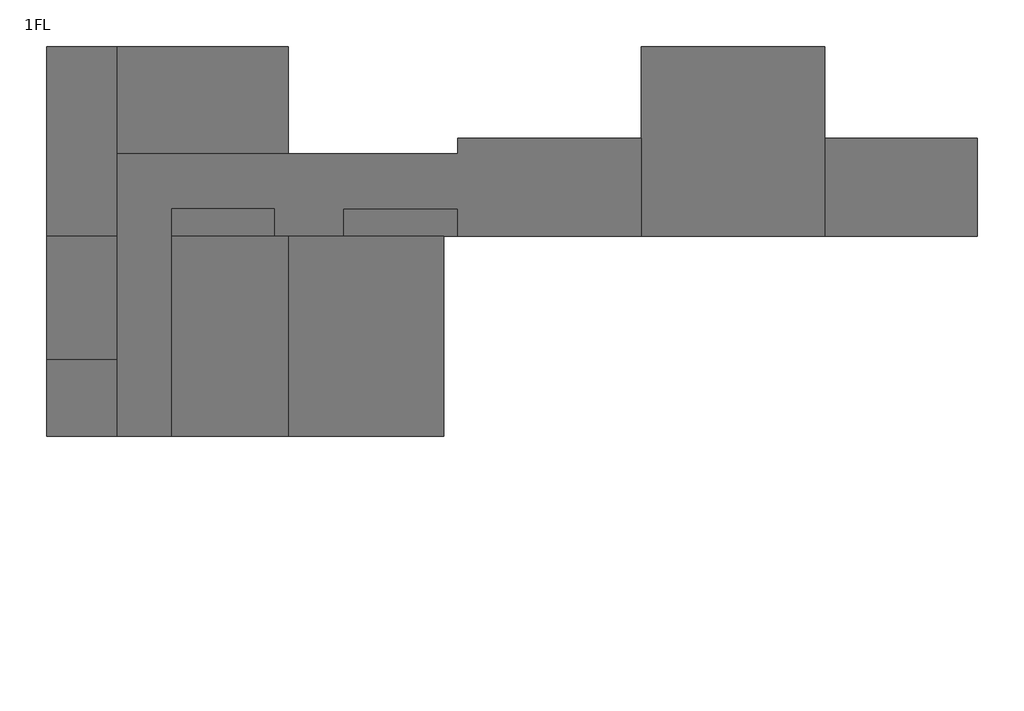
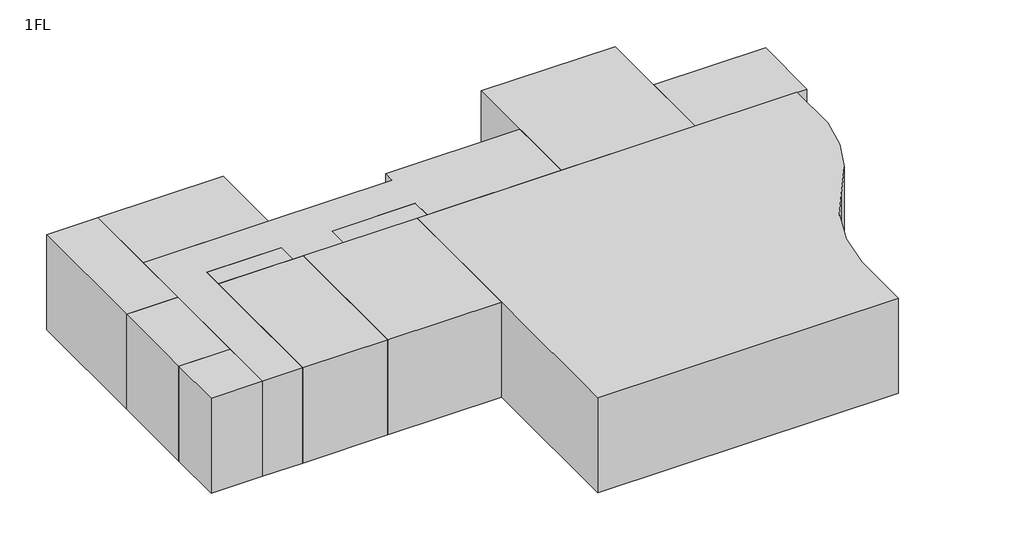
# One storey: 12 proxies.
"""IFC4 building model written with IfcOpenShell, lengths in millimetres."""

from ifc_helpers import new_model, si_unit, point, frame, frame_2d, origin, place, context, project, spatial, polyline, circle_curve, trimmed, segment, composite_curve, outline, extrude, element, save

model = new_model("IFC4")

# Units and contexts
model_context = context("Model", 3, world=origin())
ifc_project = project(units=[si_unit("LENGTHUNIT", "METRE", prefix="MILLI")], contexts=[model_context])

# Site, building, storey
site = spatial("IfcSite", under=ifc_project)
building = spatial("IfcBuilding", under=site)
storey = spatial("IfcBuildingStorey", under=building, Name="1FL", Elevation=100.0)

# Proxies
placement = place(None, origin())
element("IfcBuildingElementProxy", 1, Name="Mass", at=placement, inside=storey, context=model_context, shape_type="SweptSolid", body=[
    extrude(outline(composite_curve([segment(trimmed(circle_curve(frame_2d((-6791.8966309, 8990.8329601)), 8000.0), [point((1154.0215975, 8062.1868987))], [point((-620.9784025, 3899.6868987))], False, "CARTESIAN"), True, "CONTINUOUS"), segment(trimmed(circle_curve(frame_2d((5592.648201, -1139.2459677)), 8000.0), [point((-620.9784025, 3899.6868987))], [point((-2395.9784025, -712.8131013))], True, "CARTESIAN"), True, "CONTINUOUS"), segment(polyline([(-2395.9784025, -712.8131013), (-2395.9784025, -3550.3131013), (-15845.9784025, -3550.3131013), (-15845.9784025, 10449.6868987), (1154.0215975, 10449.6868987), (1154.0215975, 8062.1868987)]), True, "CONTINUOUS")], self_intersect=False)), frame((0.0, 0.0, 100.0), z_axis=(0.0, 0.0, 1.0), x_axis=(1.0, 0.0, 0.0)), (0.0, 0.0, 1.0), 4500.0),
])
element("IfcBuildingElementProxy", 2, Name="Mass", at=placement, inside=storey, context=model_context, shape_type="SweptSolid", body=[
    extrude(outline(polyline([(-3395.9784025, 16649.6868987), (-3395.9784025, 10449.6868987), (-9395.9784025, 10449.6868987), (-9395.9784025, 16649.6868987), (-3395.9784025, 16649.6868987)])), frame((0.0, 0.0, 100.0), z_axis=(0.0, 0.0, 1.0), x_axis=(1.0, 0.0, 0.0)), (0.0, 0.0, 1.0), 4500.0),
])
element("IfcBuildingElementProxy", 3, Name="Mass", at=placement, inside=storey, context=model_context, shape_type="SweptSolid", body=[
    extrude(outline(polyline([(1604.0215975, 13649.6868987), (1604.0215975, 10449.6868987), (-3395.9784025, 10449.6868987), (-3395.9784025, 13649.6868987), (1604.0215975, 13649.6868987)])), frame((0.0, 0.0, 100.0), z_axis=(0.0, 0.0, 1.0), x_axis=(1.0, 0.0, 0.0)), (0.0, 0.0, 1.0), 4500.0),
])
element("IfcBuildingElementProxy", 4, Name="Mass", at=placement, inside=storey, context=model_context, shape_type="SweptSolid", body=[
    extrude(outline(polyline([(-15845.9784025, 10449.6868987), (-15845.9784025, 3899.6868987), (-20945.9784025, 3899.6868987), (-20945.9784025, 10449.6868987), (-15845.9784025, 10449.6868987)])), frame((0.0, 0.0, 100.0), z_axis=(0.0, 0.0, 1.0), x_axis=(1.0, 0.0, 0.0)), (0.0, 0.0, 1.0), 4500.0),
])
element("IfcBuildingElementProxy", 5, Name="Mass", at=placement, inside=storey, context=model_context, shape_type="SweptSolid", body=[
    extrude(outline(polyline([(-20945.9784025, 10449.6868987), (-20945.9784025, 3899.6868987), (-24745.9784025, 3899.6868987), (-24745.9784025, 10449.6868987), (-20945.9784025, 10449.6868987)])), frame((0.0, 0.0, 100.0), z_axis=(0.0, 0.0, 1.0), x_axis=(1.0, 0.0, 0.0)), (0.0, 0.0, 1.0), 4500.0),
])
element("IfcBuildingElementProxy", 6, Name="Mass", at=placement, inside=storey, context=model_context, shape_type="SweptSolid", body=[
    extrude(outline(polyline([(-26545.9784025, 6399.6868987), (-26545.9784025, 3899.6868987), (-28845.9784025, 3899.6868987), (-28845.9784025, 6399.6868987), (-26545.9784025, 6399.6868987)])), frame((0.0, 0.0, 100.0), z_axis=(0.0, 0.0, 1.0), x_axis=(1.0, 0.0, 0.0)), (0.0, 0.0, 1.0), 4500.0),
])
element("IfcBuildingElementProxy", 7, Name="Mass", at=placement, inside=storey, context=model_context, shape_type="SweptSolid", body=[
    extrude(outline(polyline([(-26545.9784025, 10449.6868987), (-26545.9784025, 6399.6868987), (-28845.9784025, 6399.6868987), (-28845.9784025, 10449.6868987), (-26545.9784025, 10449.6868987)])), frame((0.0, 0.0, 100.0), z_axis=(0.0, 0.0, 1.0), x_axis=(1.0, 0.0, 0.0)), (0.0, 0.0, 1.0), 4500.0),
])
element("IfcBuildingElementProxy", 8, Name="Mass", at=placement, inside=storey, context=model_context, shape_type="SweptSolid", body=[
    extrude(outline(polyline([(-21395.9784025, 11349.6868987), (-21395.9784025, 10449.6868987), (-24745.9784025, 10449.6868987), (-24745.9784025, 11349.6868987), (-21395.9784025, 11349.6868987)])), frame((0.0, 0.0, 100.0), z_axis=(0.0, 0.0, 1.0), x_axis=(1.0, 0.0, 0.0)), (0.0, 0.0, 1.0), 4500.0),
])
element("IfcBuildingElementProxy", 9, Name="Mass", at=placement, inside=storey, context=model_context, shape_type="SweptSolid", body=[
    extrude(outline(polyline([(-15395.9784025, 11349.6868987), (-15395.9784025, 10449.6868987), (-19145.9784025, 10449.6868987), (-19145.9784025, 11349.6868987), (-15395.9784025, 11349.6868987)])), frame((0.0, 0.0, 100.0), z_axis=(0.0, 0.0, 1.0), x_axis=(1.0, 0.0, 0.0)), (0.0, 0.0, 1.0), 4500.0),
])
element("IfcBuildingElementProxy", 10, Name="Mass", at=placement, inside=storey, context=model_context, shape_type="SweptSolid", body=[
    extrude(outline(polyline([(-15395.9784025, 13149.6868987), (-15395.9784025, 13649.6868987), (-9395.9784025, 13649.6868987), (-9395.9784025, 10449.6868987), (-15395.9784025, 10449.6868987), (-15395.9784025, 11349.6868987), (-19145.9784025, 11349.6868987), (-19145.9784025, 10449.6868987), (-21395.9784025, 10449.6868987), (-21395.9784025, 11349.6868987), (-24745.9784025, 11349.6868987), (-24745.9784025, 3899.6868987), (-26545.9784025, 3899.6868987), (-26545.9784025, 13149.6868987), (-20945.9784025, 13149.6868987), (-15395.9784025, 13149.6868987)])), frame((0.0, 0.0, 100.0), z_axis=(0.0, 0.0, 1.0), x_axis=(1.0, 0.0, 0.0)), (0.0, 0.0, 1.0), 4500.0),
])
element("IfcBuildingElementProxy", 11, Name="Mass", at=placement, inside=storey, context=model_context, shape_type="SweptSolid", body=[
    extrude(outline(polyline([(-26545.9784025, 16649.6868987), (-20945.9784025, 16649.6868987), (-20945.9784025, 13149.6868987), (-26545.9784025, 13149.6868987), (-26545.9784025, 16649.6868987)])), frame((0.0, 0.0, 100.0), z_axis=(0.0, 0.0, 1.0), x_axis=(1.0, 0.0, 0.0)), (0.0, 0.0, 1.0), 4500.0),
])
element("IfcBuildingElementProxy", 12, Name="Mass", at=placement, inside=storey, context=model_context, shape_type="SweptSolid", body=[
    extrude(outline(polyline([(-28845.9784025, 16649.6868987), (-26545.9784025, 16649.6868987), (-26545.9784025, 10449.6868987), (-28845.9784025, 10449.6868987), (-28845.9784025, 16649.6868987)])), frame((0.0, 0.0, 100.0), z_axis=(0.0, 0.0, 1.0), x_axis=(1.0, 0.0, 0.0)), (0.0, 0.0, 1.0), 4500.0),
])

save(model, "model.ifc")
